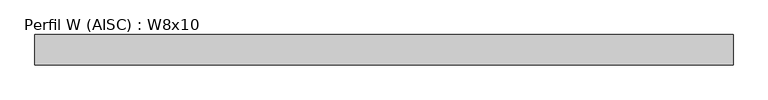
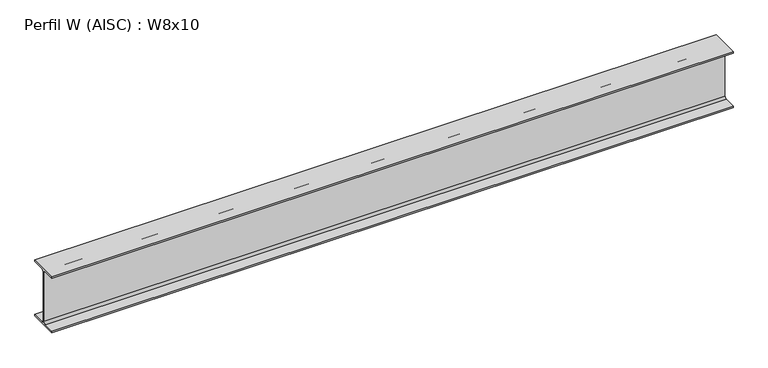
"""IFC4 building model written with IfcOpenShell, lengths in millimetres: beam geometry, Perfil W (AISC) : W8x10."""

import ifcopenshell
import ifcopenshell.guid

model = None  # the IFC model being written
_history = None  # IfcOwnerHistory: only IFC2X3 demands one
_inside = {}  # id of a spatial element -> (the spatial element, [elements in it])
_under = {}  # id of a project, library or spatial element -> (it, [spatial elements below it])
_declared = {}  # id of a project -> (the project, [libraries it declares])
_typed = {}  # id of a type object -> (the type object, [elements of that type])
_made_of = {}  # id of a material, layer set ... -> (it, [elements and type objects made of it])


def new_model(schema):
    """Start an empty IFC model of exactly this schema.

    Asked for "IFC4X3", IfcOpenShell would pick the latest addendum, in which some entities
    have other attributes; the version numbers below select the first issue.
    IFC2X3 requires an IfcOwnerHistory on every rooted entity: one is made here for all.
    """
    global model, _history
    if schema == "IFC4X3":
        model = ifcopenshell.file(schema_version=(4, 3, 0, 0))
    else:
        model = ifcopenshell.file(schema=schema)
    _inside.clear()
    _under.clear()
    _declared.clear()
    _typed.clear()
    _made_of.clear()
    _history = None
    if model.schema == "IFC2X3":
        org = make("IfcOrganization", Name="unknown")
        user = make(
            "IfcPersonAndOrganization",
            ThePerson=make("IfcPerson", FamilyName="unknown"),
            TheOrganization=org,
        )
        app = make(
            "IfcApplication",
            ApplicationDeveloper=org,
            Version="unknown",
            ApplicationFullName="unknown",
            ApplicationIdentifier="unknown",
        )
        _history = make(
            "IfcOwnerHistory",
            OwningUser=user,
            OwningApplication=app,
            ChangeAction="ADDED",
            CreationDate=0,
        )
    return model


def make(cls, **values):
    """One entity of the class cls with the attributes given. An attribute that is None is left unset."""
    return model.create_entity(
        cls, **{name: value for name, value in values.items() if value is not None}
    )


def rooted(cls, **values):
    """An entity with a GlobalId (a new one), such as an element, a storey or a relation."""
    return make(cls, GlobalId=ifcopenshell.guid.new(), OwnerHistory=_history, **values)


def si_unit(unit_type, name, prefix=None):
    """IfcSIUnit, for example si_unit("LENGTHUNIT", "METRE", prefix="MILLI")."""
    return make("IfcSIUnit", UnitType=unit_type, Prefix=prefix, Name=name)


def assignment(units):
    """IfcUnitAssignment: the units of a project."""
    return None if units is None else make("IfcUnitAssignment", Units=units)


def point(xyz):
    """IfcCartesianPoint."""
    return None if xyz is None else make("IfcCartesianPoint", Coordinates=xyz)


def direction(xyz):
    """IfcDirection."""
    return None if xyz is None else make("IfcDirection", DirectionRatios=xyz)


def frame(location, z_axis=None, x_axis=None):
    """IfcAxis2Placement3D, a coordinate frame: its origin and axes. An axis left out is left unset."""
    return make(
        "IfcAxis2Placement3D",
        Location=point(location),
        Axis=direction(z_axis),
        RefDirection=direction(x_axis),
    )


def frame_2d(location, x_axis=None):
    """IfcAxis2Placement2D, a coordinate frame in the plane: its origin and x axis."""
    return make(
        "IfcAxis2Placement2D", Location=point(location), RefDirection=direction(x_axis)
    )


def origin():
    """The frame at (0, 0, 0) with its axes left unset."""
    return frame((0.0, 0.0, 0.0))


def place(relative_to, where):
    """IfcLocalPlacement: puts the frame where relative to a parent placement (None: the world)."""
    return make(
        "IfcLocalPlacement", PlacementRelTo=relative_to, RelativePlacement=where
    )


def context(
    kind, dimensions, precision=None, world=None, true_north=None, identifier=None
):
    """IfcGeometricRepresentationContext, for example the 3D "Model" context."""
    return make(
        "IfcGeometricRepresentationContext",
        ContextIdentifier=identifier,
        ContextType=kind,
        CoordinateSpaceDimension=dimensions,
        Precision=precision,
        WorldCoordinateSystem=world,
        TrueNorth=true_north,
    )


def project(units=None, contexts=None):
    """IfcProject with its units and contexts."""
    return rooted(
        "IfcProject",
        Name="project",
        RepresentationContexts=contexts,
        UnitsInContext=assignment(units),
    )


def spatial(cls, under=None, at=None, **own):
    """A site, building, storey or space (cls), placed at a placement, below another one or the project."""
    s = rooted(cls, ObjectPlacement=at, **own)
    if under is not None:
        _under.setdefault(under.id(), (under, []))[1].append(s)
    return s


def polyline(points):
    """IfcPolyline through the points."""
    return make("IfcPolyline", Points=[point(p) for p in points])


def circle_curve(where, radius):
    """IfcCircle in the frame where."""
    return make("IfcCircle", Position=where, Radius=radius)


def trimmed(basis, trim1, trim2, sense, master):
    """IfcTrimmedCurve: the piece of a basis curve between two trims."""
    return make(
        "IfcTrimmedCurve",
        BasisCurve=basis,
        Trim1=trim1,
        Trim2=trim2,
        SenseAgreement=sense,
        MasterRepresentation=master,
    )


def segment(curve, same_sense, transition):
    """IfcCompositeCurveSegment."""
    return make(
        "IfcCompositeCurveSegment",
        Transition=transition,
        SameSense=same_sense,
        ParentCurve=curve,
    )


def composite_curve(segments, self_intersect=None):
    """IfcCompositeCurve: segments joined end to end."""
    return make("IfcCompositeCurve", Segments=segments, SelfIntersect=self_intersect)


def outline(outer, holes=None, kind="AREA"):
    """IfcArbitraryClosedProfileDef: a profile drawn as a closed curve; with holes, ...WithVoids."""
    if holes is None:
        return make("IfcArbitraryClosedProfileDef", ProfileType=kind, OuterCurve=outer)
    return make(
        "IfcArbitraryProfileDefWithVoids",
        ProfileType=kind,
        OuterCurve=outer,
        InnerCurves=holes,
    )


def extrude(swept, where, along, depth):
    """IfcExtrudedAreaSolid: the profile swept, set in the frame where, extruded along a direction by depth."""
    return make(
        "IfcExtrudedAreaSolid",
        SweptArea=swept,
        Position=where,
        ExtrudedDirection=direction(along),
        Depth=depth,
    )


def shape(context_of_items, identifier, shape_type, items):
    """IfcShapeRepresentation: the items that make up one representation, for example the "Body"."""
    return make(
        "IfcShapeRepresentation",
        ContextOfItems=context_of_items,
        RepresentationIdentifier=identifier,
        RepresentationType=shape_type,
        Items=items,
    )


def source(mapping_origin, context_of_items, identifier, shape_type, items):
    """IfcRepresentationMap: a shape defined once, which mapped items show again and again."""
    return make(
        "IfcRepresentationMap",
        MappingOrigin=mapping_origin,
        MappedRepresentation=shape(context_of_items, identifier, shape_type, items),
    )


def transform(
    local_origin,
    x_axis=None,
    y_axis=None,
    z_axis=None,
    scale=None,
    scale2=None,
    scale3=None,
    uniform=True,
):
    """IfcCartesianTransformationOperator3D, or its non-uniform kind. x_axis, y_axis, z_axis: its Axis1, 2, 3."""
    if uniform:
        return make(
            "IfcCartesianTransformationOperator3D",
            Axis1=direction(x_axis),
            Axis2=direction(y_axis),
            LocalOrigin=point(local_origin),
            Scale=scale,
            Axis3=direction(z_axis),
        )
    return make(
        "IfcCartesianTransformationOperator3DnonUniform",
        Axis1=direction(x_axis),
        Axis2=direction(y_axis),
        LocalOrigin=point(local_origin),
        Scale=scale,
        Axis3=direction(z_axis),
        Scale2=scale2,
        Scale3=scale3,
    )


def mapped(mapping_source, mapping_target):
    """IfcMappedItem: shows the shape of a source again, moved by a transform."""
    return make(
        "IfcMappedItem", MappingSource=mapping_source, MappingTarget=mapping_target
    )


def made_of(thing, what):
    """Note that an element or type object is made of a material, layer set ...; save() writes the relation."""
    if what is not None:
        _made_of.setdefault(what.id(), (what, []))[1].append(thing)
    return thing


def element(
    cls,
    number,
    at=None,
    inside=None,
    cuts=None,
    type_object=None,
    material=None,
    context=None,
    identifier="Body",
    shape_type=None,
    held_by="IfcProductDefinitionShape",
    body=None,
    shapes=None,
    **own,
):
    """One element of the class cls, such as IfcWall. Its Tag is "e" and its number.

    at: its placement. inside: the storey or other place that contains it. cuts: it is an
    opening in that element (IfcRelVoidsElement). A single representation is given by context,
    identifier, shape_type and body (its items); several are given by shapes. held_by: the class
    of the entity that holds the representations. save() writes the other relations.
    """
    e = rooted(cls, Tag="e%d" % number, ObjectPlacement=at, **own)
    if body is not None:
        shapes = [shape(context, identifier, shape_type, body)]
    if shapes is not None:
        e.Representation = make(held_by, Representations=shapes)
    if inside is not None:
        _inside.setdefault(inside.id(), (inside, []))[1].append(e)
    if cuts is not None:
        rooted(
            "IfcRelVoidsElement", RelatingBuildingElement=cuts, RelatedOpeningElement=e
        )
    if type_object is not None:
        _typed.setdefault(type_object.id(), (type_object, []))[1].append(e)
    return made_of(e, material)


def aggregate(whole, parts):
    """IfcRelAggregates: a whole, such as a stair, and the parts it consists of."""
    return rooted("IfcRelAggregates", RelatingObject=whole, RelatedObjects=parts)


def save(model, path):
    """Write the relations noted so far, then the file.

    IfcRelAggregates (storeys below a building ...), IfcRelContainedInSpatialStructure (elements
    in a storey), IfcRelDefinesByType, IfcRelAssociatesMaterial and IfcRelDeclares: one each for
    every whole, place, type object, material and project.
    """
    for whole, parts in _under.values():
        aggregate(whole, parts)
    for where, things in _inside.values():
        rooted(
            "IfcRelContainedInSpatialStructure",
            RelatedElements=things,
            RelatingStructure=where,
        )
    for kind, things in _typed.values():
        rooted("IfcRelDefinesByType", RelatedObjects=things, RelatingType=kind)
    for what, things in _made_of.values():
        rooted("IfcRelAssociatesMaterial", RelatedObjects=things, RelatingMaterial=what)
    for by, libraries in _declared.values():
        rooted("IfcRelDeclares", RelatingContext=by, RelatedDefinitions=libraries)
    model.write(path)


def perfil_w_aisc_w8x10_94341db8(model_context):
    return source(origin(), model_context, "Body", "SweptSolid", [
        extrude(outline(composite_curve([segment(polyline([(50.0, -94.79), (50.0, -100.0), (-50.0, -100.0), (-50.0, -94.79), (-9.75, -94.79)]), True, "CONTINUOUS"), segment(trimmed(circle_curve(frame_2d((-9.75, -87.2)), 7.59), [point((-9.75, -94.79))], [point((-2.16, -87.2))], True, "CARTESIAN"), True, "CONTINUOUS"), segment(polyline([(-2.16, -87.2), (-2.16, 87.2)]), True, "CONTINUOUS"), segment(trimmed(circle_curve(frame_2d((-9.75, 87.2)), 7.59), [point((-2.16, 87.2))], [point((-9.75, 94.79))], True, "CARTESIAN"), True, "CONTINUOUS"), segment(polyline([(-9.75, 94.79), (-50.0, 94.79), (-50.0, 100.0), (50.0, 100.0), (50.0, 94.79), (9.75, 94.79)]), True, "CONTINUOUS"), segment(trimmed(circle_curve(frame_2d((9.75, 87.2)), 7.59), [point((9.75, 94.79))], [point((2.16, 87.2))], True, "CARTESIAN"), True, "CONTINUOUS"), segment(polyline([(2.16, 87.2), (2.16, -87.2)]), True, "CONTINUOUS"), segment(trimmed(circle_curve(frame_2d((9.75, -87.2)), 7.59), [point((2.16, -87.2))], [point((9.75, -94.79))], True, "CARTESIAN"), True, "CONTINUOUS"), segment(polyline([(9.75, -94.79), (50.0, -94.79)]), True, "CONTINUOUS")], self_intersect=False)), frame((-1152.85, 0.0, 0.0), z_axis=(1.0, 0.0, 0.0), x_axis=(0.0, 1.0, 0.0)), (0.0, 0.0, 1.0), 2305.7),
    ])


if __name__ == "__main__":
    model = new_model("IFC4")
    model_context = context("Model", 3, world=origin())
    ifc_project = project(units=[si_unit("LENGTHUNIT", "METRE", prefix="MILLI")], contexts=[model_context])
    site = spatial("IfcSite", under=ifc_project)
    building = spatial("IfcBuilding", under=site)
    placement = place(None, origin())
    perfil_w_aisc_w8x10_shape = perfil_w_aisc_w8x10_94341db8(model_context)
    element("IfcBeam", 1, ObjectType="Perfil W (AISC) : W8x10", at=placement, inside=building, context=model_context, shape_type="MappedRepresentation", body=[
        mapped(perfil_w_aisc_w8x10_shape, transform((0.0, 0.0, 0.0), x_axis=(1.0, 0.0, 0.0), y_axis=(0.0, 1.0, 0.0), z_axis=(0.0, 0.0, 1.0))),
    ])
    save(model, "model.ifc")
